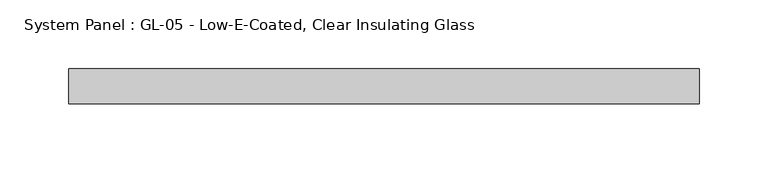
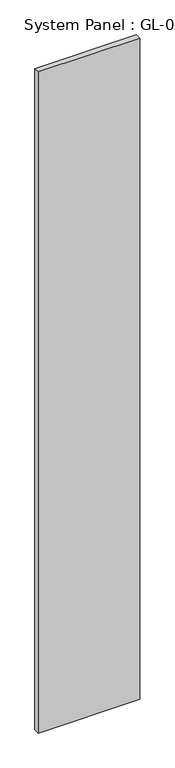
"""IFC4 building model written with IfcOpenShell, lengths in millimetres: plate geometry, System Panel : GL-05 - Low-E-Coated, Clear Insulating Glass."""

from ifc_helpers import new_model, si_unit, origin, origin_with_axes, place, context, project, spatial, polyline, outline, extrude, source, transform, mapped, element, save


def system_panel_gl_05_low_e_coated_clear_insulating_glass_a5a3762f(model_context):
    return source(origin(), model_context, "Body", "SweptSolid", [
        extrude(outline(polyline([(228.6, -12.7), (-228.6, -12.7), (-228.6, 12.7), (228.6, 12.7), (228.6, -12.7)])), origin_with_axes(), (0.0, 0.0, 1.0), 3149.6),
    ])


if __name__ == "__main__":
    model = new_model("IFC4")
    model_context = context("Model", 3, world=origin())
    ifc_project = project(units=[si_unit("LENGTHUNIT", "METRE", prefix="MILLI")], contexts=[model_context])
    site = spatial("IfcSite", under=ifc_project)
    building = spatial("IfcBuilding", under=site)
    placement = place(None, origin())
    system_panel_gl_05_low_e_coated_clear_insulating_glass_shape = system_panel_gl_05_low_e_coated_clear_insulating_glass_a5a3762f(model_context)
    element("IfcPlate", 1, ObjectType="System Panel : GL-05 - Low-E-Coated, Clear Insulating Glass", at=placement, inside=building, context=model_context, shape_type="MappedRepresentation", body=[
        mapped(system_panel_gl_05_low_e_coated_clear_insulating_glass_shape, transform((0.0, 0.0, 0.0), x_axis=(1.0, 0.0, 0.0), y_axis=(0.0, 1.0, 0.0), z_axis=(0.0, 0.0, 1.0))),
    ])
    save(model, "model.ifc")
